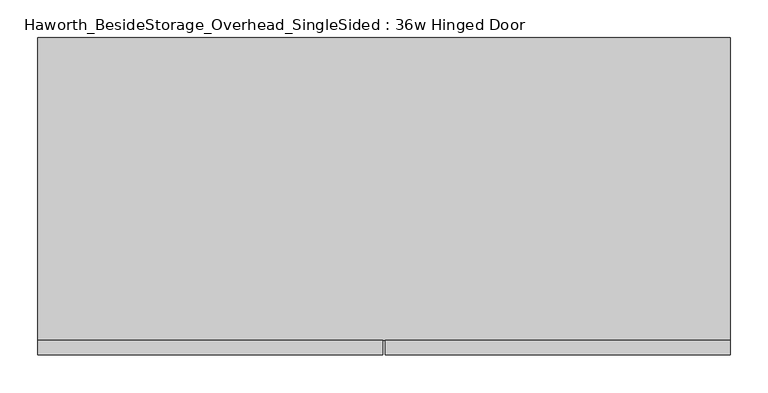
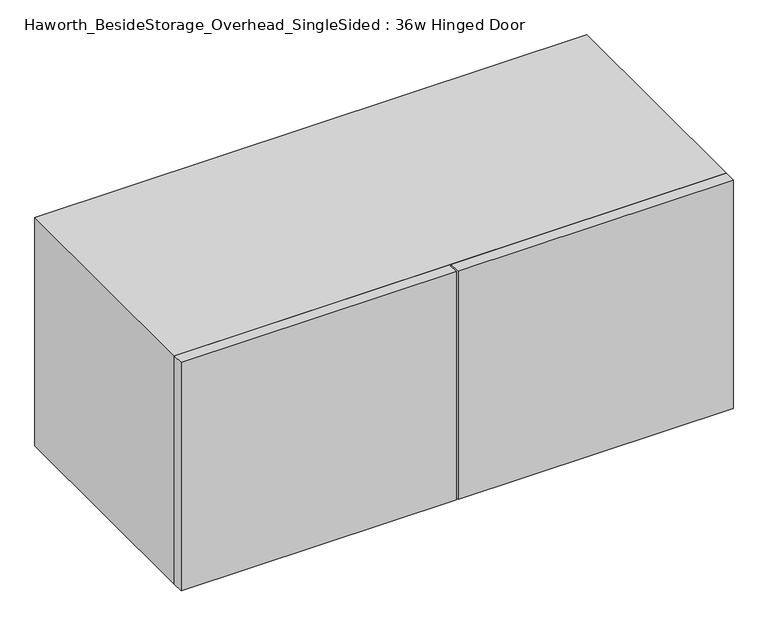
"""IFC4 building model written with IfcOpenShell, lengths in millimetres: furniture geometry, Haworth_BesideStorage_Overhead_SingleSided : 36w Hinged Door."""

import ifcopenshell
import ifcopenshell.guid

model = None  # the IFC model being written
_history = None  # IfcOwnerHistory: only IFC2X3 demands one
_inside = {}  # id of a spatial element -> (the spatial element, [elements in it])
_under = {}  # id of a project, library or spatial element -> (it, [spatial elements below it])
_declared = {}  # id of a project -> (the project, [libraries it declares])
_typed = {}  # id of a type object -> (the type object, [elements of that type])
_made_of = {}  # id of a material, layer set ... -> (it, [elements and type objects made of it])


def new_model(schema):
    """Start an empty IFC model of exactly this schema.

    Asked for "IFC4X3", IfcOpenShell would pick the latest addendum, in which some entities
    have other attributes; the version numbers below select the first issue.
    IFC2X3 requires an IfcOwnerHistory on every rooted entity: one is made here for all.
    """
    global model, _history
    if schema == "IFC4X3":
        model = ifcopenshell.file(schema_version=(4, 3, 0, 0))
    else:
        model = ifcopenshell.file(schema=schema)
    _inside.clear()
    _under.clear()
    _declared.clear()
    _typed.clear()
    _made_of.clear()
    _history = None
    if model.schema == "IFC2X3":
        org = make("IfcOrganization", Name="unknown")
        user = make(
            "IfcPersonAndOrganization",
            ThePerson=make("IfcPerson", FamilyName="unknown"),
            TheOrganization=org,
        )
        app = make(
            "IfcApplication",
            ApplicationDeveloper=org,
            Version="unknown",
            ApplicationFullName="unknown",
            ApplicationIdentifier="unknown",
        )
        _history = make(
            "IfcOwnerHistory",
            OwningUser=user,
            OwningApplication=app,
            ChangeAction="ADDED",
            CreationDate=0,
        )
    return model


def make(cls, **values):
    """One entity of the class cls with the attributes given. An attribute that is None is left unset."""
    return model.create_entity(
        cls, **{name: value for name, value in values.items() if value is not None}
    )


def rooted(cls, **values):
    """An entity with a GlobalId (a new one), such as an element, a storey or a relation."""
    return make(cls, GlobalId=ifcopenshell.guid.new(), OwnerHistory=_history, **values)


def si_unit(unit_type, name, prefix=None):
    """IfcSIUnit, for example si_unit("LENGTHUNIT", "METRE", prefix="MILLI")."""
    return make("IfcSIUnit", UnitType=unit_type, Prefix=prefix, Name=name)


def assignment(units):
    """IfcUnitAssignment: the units of a project."""
    return None if units is None else make("IfcUnitAssignment", Units=units)


def point(xyz):
    """IfcCartesianPoint."""
    return None if xyz is None else make("IfcCartesianPoint", Coordinates=xyz)


def direction(xyz):
    """IfcDirection."""
    return None if xyz is None else make("IfcDirection", DirectionRatios=xyz)


def frame(location, z_axis=None, x_axis=None):
    """IfcAxis2Placement3D, a coordinate frame: its origin and axes. An axis left out is left unset."""
    return make(
        "IfcAxis2Placement3D",
        Location=point(location),
        Axis=direction(z_axis),
        RefDirection=direction(x_axis),
    )


def origin():
    """The frame at (0, 0, 0) with its axes left unset."""
    return frame((0.0, 0.0, 0.0))


def place(relative_to, where):
    """IfcLocalPlacement: puts the frame where relative to a parent placement (None: the world)."""
    return make(
        "IfcLocalPlacement", PlacementRelTo=relative_to, RelativePlacement=where
    )


def context(
    kind, dimensions, precision=None, world=None, true_north=None, identifier=None
):
    """IfcGeometricRepresentationContext, for example the 3D "Model" context."""
    return make(
        "IfcGeometricRepresentationContext",
        ContextIdentifier=identifier,
        ContextType=kind,
        CoordinateSpaceDimension=dimensions,
        Precision=precision,
        WorldCoordinateSystem=world,
        TrueNorth=true_north,
    )


def project(units=None, contexts=None):
    """IfcProject with its units and contexts."""
    return rooted(
        "IfcProject",
        Name="project",
        RepresentationContexts=contexts,
        UnitsInContext=assignment(units),
    )


def spatial(cls, under=None, at=None, **own):
    """A site, building, storey or space (cls), placed at a placement, below another one or the project."""
    s = rooted(cls, ObjectPlacement=at, **own)
    if under is not None:
        _under.setdefault(under.id(), (under, []))[1].append(s)
    return s


def polyline(points):
    """IfcPolyline through the points."""
    return make("IfcPolyline", Points=[point(p) for p in points])


def outline(outer, holes=None, kind="AREA"):
    """IfcArbitraryClosedProfileDef: a profile drawn as a closed curve; with holes, ...WithVoids."""
    if holes is None:
        return make("IfcArbitraryClosedProfileDef", ProfileType=kind, OuterCurve=outer)
    return make(
        "IfcArbitraryProfileDefWithVoids",
        ProfileType=kind,
        OuterCurve=outer,
        InnerCurves=holes,
    )


def extrude(swept, where, along, depth):
    """IfcExtrudedAreaSolid: the profile swept, set in the frame where, extruded along a direction by depth."""
    return make(
        "IfcExtrudedAreaSolid",
        SweptArea=swept,
        Position=where,
        ExtrudedDirection=direction(along),
        Depth=depth,
    )


def shape(context_of_items, identifier, shape_type, items):
    """IfcShapeRepresentation: the items that make up one representation, for example the "Body"."""
    return make(
        "IfcShapeRepresentation",
        ContextOfItems=context_of_items,
        RepresentationIdentifier=identifier,
        RepresentationType=shape_type,
        Items=items,
    )


def source(mapping_origin, context_of_items, identifier, shape_type, items):
    """IfcRepresentationMap: a shape defined once, which mapped items show again and again."""
    return make(
        "IfcRepresentationMap",
        MappingOrigin=mapping_origin,
        MappedRepresentation=shape(context_of_items, identifier, shape_type, items),
    )


def transform(
    local_origin,
    x_axis=None,
    y_axis=None,
    z_axis=None,
    scale=None,
    scale2=None,
    scale3=None,
    uniform=True,
):
    """IfcCartesianTransformationOperator3D, or its non-uniform kind. x_axis, y_axis, z_axis: its Axis1, 2, 3."""
    if uniform:
        return make(
            "IfcCartesianTransformationOperator3D",
            Axis1=direction(x_axis),
            Axis2=direction(y_axis),
            LocalOrigin=point(local_origin),
            Scale=scale,
            Axis3=direction(z_axis),
        )
    return make(
        "IfcCartesianTransformationOperator3DnonUniform",
        Axis1=direction(x_axis),
        Axis2=direction(y_axis),
        LocalOrigin=point(local_origin),
        Scale=scale,
        Axis3=direction(z_axis),
        Scale2=scale2,
        Scale3=scale3,
    )


def mapped(mapping_source, mapping_target):
    """IfcMappedItem: shows the shape of a source again, moved by a transform."""
    return make(
        "IfcMappedItem", MappingSource=mapping_source, MappingTarget=mapping_target
    )


def made_of(thing, what):
    """Note that an element or type object is made of a material, layer set ...; save() writes the relation."""
    if what is not None:
        _made_of.setdefault(what.id(), (what, []))[1].append(thing)
    return thing


def element(
    cls,
    number,
    at=None,
    inside=None,
    cuts=None,
    type_object=None,
    material=None,
    context=None,
    identifier="Body",
    shape_type=None,
    held_by="IfcProductDefinitionShape",
    body=None,
    shapes=None,
    **own,
):
    """One element of the class cls, such as IfcWall. Its Tag is "e" and its number.

    at: its placement. inside: the storey or other place that contains it. cuts: it is an
    opening in that element (IfcRelVoidsElement). A single representation is given by context,
    identifier, shape_type and body (its items); several are given by shapes. held_by: the class
    of the entity that holds the representations. save() writes the other relations.
    """
    e = rooted(cls, Tag="e%d" % number, ObjectPlacement=at, **own)
    if body is not None:
        shapes = [shape(context, identifier, shape_type, body)]
    if shapes is not None:
        e.Representation = make(held_by, Representations=shapes)
    if inside is not None:
        _inside.setdefault(inside.id(), (inside, []))[1].append(e)
    if cuts is not None:
        rooted(
            "IfcRelVoidsElement", RelatingBuildingElement=cuts, RelatedOpeningElement=e
        )
    if type_object is not None:
        _typed.setdefault(type_object.id(), (type_object, []))[1].append(e)
    return made_of(e, material)


def aggregate(whole, parts):
    """IfcRelAggregates: a whole, such as a stair, and the parts it consists of."""
    return rooted("IfcRelAggregates", RelatingObject=whole, RelatedObjects=parts)


def save(model, path):
    """Write the relations noted so far, then the file.

    IfcRelAggregates (storeys below a building ...), IfcRelContainedInSpatialStructure (elements
    in a storey), IfcRelDefinesByType, IfcRelAssociatesMaterial and IfcRelDeclares: one each for
    every whole, place, type object, material and project.
    """
    for whole, parts in _under.values():
        aggregate(whole, parts)
    for where, things in _inside.values():
        rooted(
            "IfcRelContainedInSpatialStructure",
            RelatedElements=things,
            RelatingStructure=where,
        )
    for kind, things in _typed.values():
        rooted("IfcRelDefinesByType", RelatedObjects=things, RelatingType=kind)
    for what, things in _made_of.values():
        rooted("IfcRelAssociatesMaterial", RelatedObjects=things, RelatingMaterial=what)
    for by, libraries in _declared.values():
        rooted("IfcRelDeclares", RelatingContext=by, RelatedDefinitions=libraries)
    model.write(path)


def haworth_besidestorage_overhead_singlesided_36w_hinged_door_77ac4347(model_context):
    return source(origin(), model_context, "Body", "SweptSolid", [
        extrude(outline(polyline([(166.6875, -419.1), (166.6875, -400.05), (622.3, -400.05), (622.3, -419.1), (166.6875, -419.1)])), frame((0.0, 0.0, 762.0), z_axis=(0.0, 0.0, 1.0), x_axis=(1.0, 0.0, 0.0)), (0.0, 0.0, 1.0), 400.05),
        extrude(outline(polyline([(163.5125, -419.1), (-292.1, -419.1), (-292.1, -400.05), (163.5125, -400.05), (163.5125, -419.1)])), frame((0.0, 0.0, 762.0), z_axis=(0.0, 0.0, 1.0), x_axis=(1.0, 0.0, 0.0)), (0.0, 0.0, 1.0), 400.05),
        extrude(outline(polyline([(174.625, -400.05), (155.575, -400.05), (155.575, -19.05), (174.625, -19.05), (174.625, -400.05)])), frame((0.0, 0.0, 781.05), z_axis=(0.0, 0.0, 1.0), x_axis=(1.0, 0.0, 0.0)), (0.0, 0.0, 1.0), 361.95),
        extrude(outline(polyline([(603.25, -19.05), (-273.05, -19.05), (-273.05, 0.0), (603.25, 0.0), (603.25, -19.05)])), frame((0.0, 0.0, 781.05), z_axis=(0.0, 0.0, 1.0), x_axis=(1.0, 0.0, 0.0)), (0.0, 0.0, 1.0), 361.95),
        extrude(outline(polyline([(762.0, 622.3), (1162.05, 622.3), (1162.05, -292.1), (762.0, -292.1), (762.0, 622.3)]), holes=[polyline([(1143.0, 603.25), (781.05, 603.25), (781.05, -273.05), (1143.0, -273.05), (1143.0, 603.25)])]), frame((0.0, -400.05, 0.0), z_axis=(0.0, 1.0, 0.0), x_axis=(0.0, 0.0, 1.0)), (0.0, 0.0, 1.0), 400.05),
    ])


if __name__ == "__main__":
    model = new_model("IFC4")
    model_context = context("Model", 3, world=origin())
    ifc_project = project(units=[si_unit("LENGTHUNIT", "METRE", prefix="MILLI")], contexts=[model_context])
    site = spatial("IfcSite", under=ifc_project)
    building = spatial("IfcBuilding", under=site)
    placement = place(None, origin())
    haworth_besidestorage_overhead_singlesided_36w_hinged_door_shape = haworth_besidestorage_overhead_singlesided_36w_hinged_door_77ac4347(model_context)
    element("IfcFurniture", 1, ObjectType="Haworth_BesideStorage_Overhead_SingleSided : 36w Hinged Door", at=placement, inside=building, context=model_context, shape_type="MappedRepresentation", body=[
        mapped(haworth_besidestorage_overhead_singlesided_36w_hinged_door_shape, transform((0.0, 0.0, 0.0), x_axis=(1.0, 0.0, 0.0), y_axis=(0.0, 1.0, 0.0), z_axis=(0.0, 0.0, 1.0))),
    ])
    save(model, "model.ifc")
